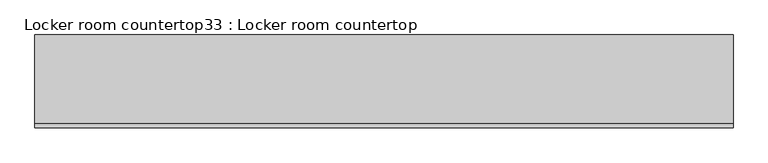
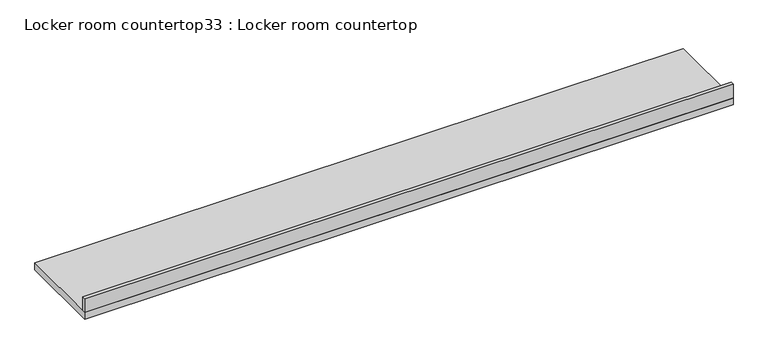
"""IFC4 building model written with IfcOpenShell, lengths in millimetres: furniture geometry, Locker room countertop33 : Locker room countertop."""

from ifc_helpers import new_model, si_unit, frame, origin, place, context, project, spatial, polyline, outline, extrude, source, transform, mapped, element, save


def locker_room_countertop33_locker_room_countertop_d9f571eb(model_context):
    return source(origin(), model_context, "Body", "SweptSolid", [
        extrude(outline(polyline([(216318.8879676, -266646.074859), (220897.2379676, -266646.074859), (220897.2379676, -266671.474859), (216318.8879676, -266671.474859), (216318.8879676, -266646.074859)])), frame((0.0, 0.0, 914.4), z_axis=(0.0, 0.0, 1.0), x_axis=(1.0, 0.0, 0.0)), (0.0, 0.0, 1.0), 101.6),
        extrude(outline(polyline([(216318.8879676, -266061.874859), (220897.2379676, -266061.874859), (220897.2379676, -266671.474859), (216318.8879676, -266671.474859), (216318.8879676, -266061.874859)])), frame((0.0, 0.0, 863.6), z_axis=(0.0, 0.0, 1.0), x_axis=(1.0, 0.0, 0.0)), (0.0, 0.0, 1.0), 50.8),
    ])


if __name__ == "__main__":
    model = new_model("IFC4")
    model_context = context("Model", 3, world=origin())
    ifc_project = project(units=[si_unit("LENGTHUNIT", "METRE", prefix="MILLI")], contexts=[model_context])
    site = spatial("IfcSite", under=ifc_project)
    building = spatial("IfcBuilding", under=site)
    placement = place(None, origin())
    locker_room_countertop33_locker_room_countertop_shape = locker_room_countertop33_locker_room_countertop_d9f571eb(model_context)
    element("IfcFurniture", 1, ObjectType="Locker room countertop33 : Locker room countertop", at=placement, inside=building, context=model_context, shape_type="MappedRepresentation", body=[
        mapped(locker_room_countertop33_locker_room_countertop_shape, transform((0.0, 0.0, 0.0), x_axis=(1.0, 0.0, 0.0), y_axis=(0.0, 1.0, 0.0), z_axis=(0.0, 0.0, 1.0))),
    ])
    save(model, "model.ifc")
